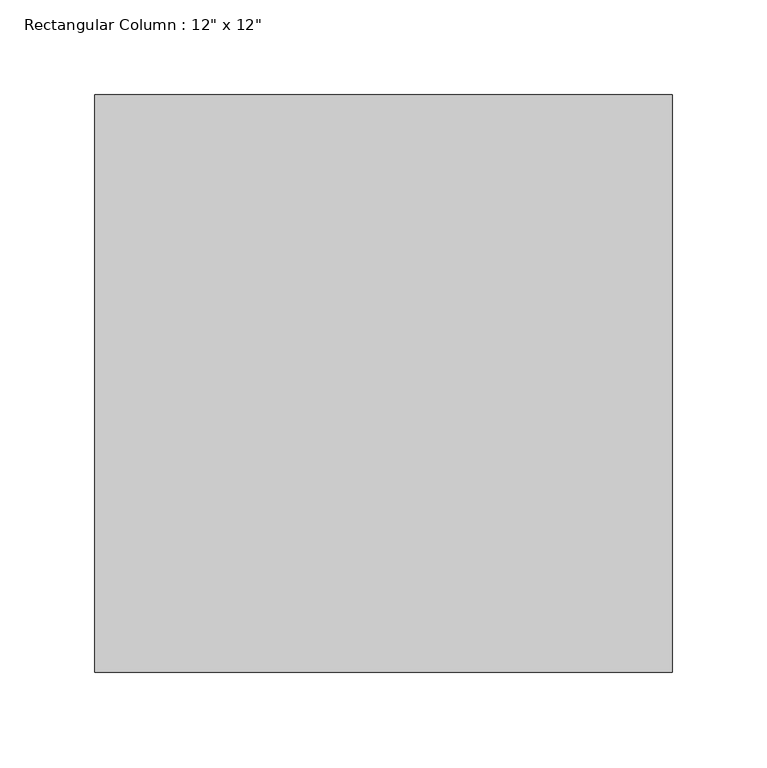
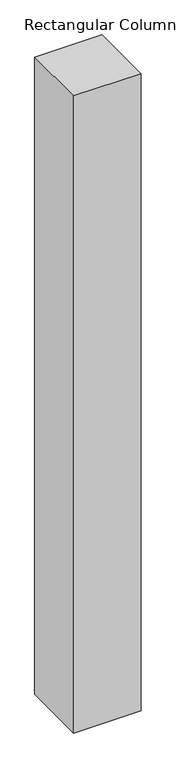
"""IFC4 building model written with IfcOpenShell, lengths in millimetres: column geometry."""

from ifc_helpers import new_model, si_unit, origin, origin_with_axes, place, context, project, spatial, polyline, outline, extrude, source, transform, mapped, element, save


def column_d780e21f(model_context):
    return source(origin(), model_context, "Body", "SweptSolid", [
        extrude(outline(polyline([(152.4, 152.4), (152.4, -152.4), (-152.4, -152.4), (-152.4, 152.4), (152.4, 152.4)])), origin_with_axes(), (0.0, 0.0, 1.0), 3048.0),
    ])


if __name__ == "__main__":
    model = new_model("IFC4")
    model_context = context("Model", 3, world=origin())
    ifc_project = project(units=[si_unit("LENGTHUNIT", "METRE", prefix="MILLI")], contexts=[model_context])
    site = spatial("IfcSite", under=ifc_project)
    building = spatial("IfcBuilding", under=site)
    placement = place(None, origin())
    column_shape = column_d780e21f(model_context)
    element("IfcColumn", 1, ObjectType="Rectangular Column : 12\" x 12\"", at=placement, inside=building, context=model_context, shape_type="MappedRepresentation", body=[
        mapped(column_shape, transform((0.0, 0.0, 0.0), x_axis=(1.0, 0.0, 0.0), y_axis=(0.0, 1.0, 0.0), z_axis=(0.0, 0.0, 1.0))),
    ])
    save(model, "model.ifc")
